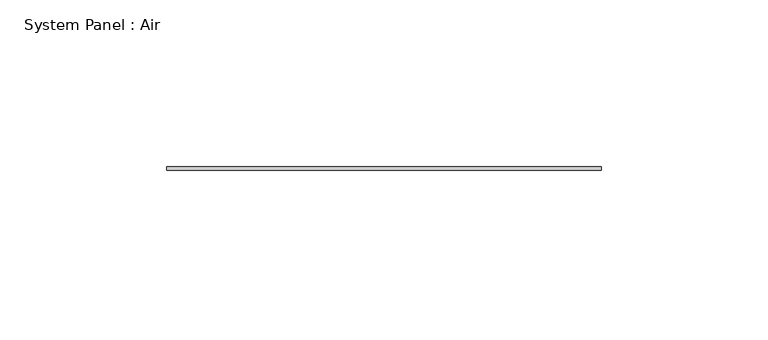
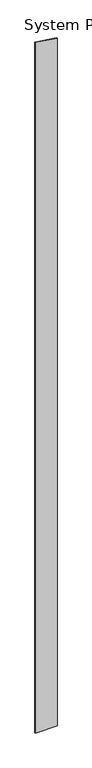
"""IFC4 building model written with IfcOpenShell, lengths in millimetres: plate geometry, System Panel : Air."""

from ifc_helpers import new_model, si_unit, frame, origin, place, context, project, spatial, polyline, outline, extrude, source, transform, mapped, element, save


def system_panel_air_5bbc0edf(model_context):
    return source(origin(), model_context, "Body", "SweptSolid", [
        extrude(outline(polyline([(0.0, -65.0), (0.0, 65.0), (4289.4404956, 65.0), (4308.6923072, -65.0), (0.0, -65.0)])), frame((0.0, 36.5, 0.0), z_axis=(0.0, 1.0, 0.0), x_axis=(0.0, 0.0, 1.0)), (0.0, 0.0, 1.0), 1.0),
    ])


if __name__ == "__main__":
    model = new_model("IFC4")
    model_context = context("Model", 3, world=origin())
    ifc_project = project(units=[si_unit("LENGTHUNIT", "METRE", prefix="MILLI")], contexts=[model_context])
    site = spatial("IfcSite", under=ifc_project)
    building = spatial("IfcBuilding", under=site)
    placement = place(None, origin())
    system_panel_air_shape = system_panel_air_5bbc0edf(model_context)
    element("IfcPlate", 1, ObjectType="System Panel : Air", at=placement, inside=building, context=model_context, shape_type="MappedRepresentation", body=[
        mapped(system_panel_air_shape, transform((0.0, 0.0, 0.0), x_axis=(1.0, 0.0, 0.0), y_axis=(0.0, 1.0, 0.0), z_axis=(0.0, 0.0, 1.0))),
    ])
    save(model, "model.ifc")
